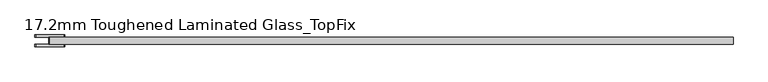
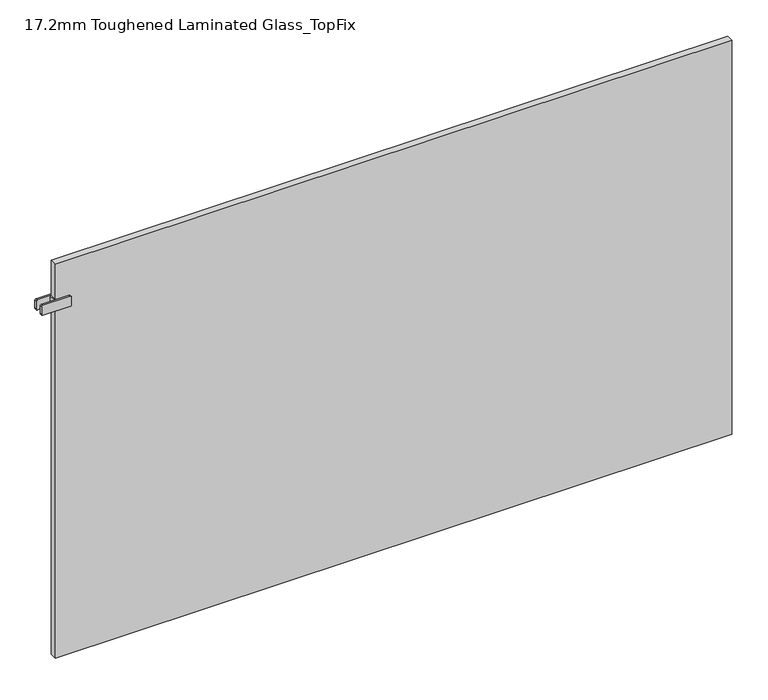
"""IFC4 building model written with IfcOpenShell, lengths in millimetres: plate geometry, 17.2mm Toughened Laminated Glass_TopFix."""

from ifc_helpers import new_model, si_unit, point, frame, frame_2d, origin, origin_with_axes, place, context, project, spatial, polyline, circle_curve, trimmed, segment, composite_curve, outline, extrude, source, transform, mapped, element, save


def plate_17_2mm_toughened_laminated_glass_topfix_5ab2e17a(model_context):
    return source(origin(), model_context, "Body", "SweptSolid", [
        extrude(outline(polyline([(-797.5000001, -8.6), (-797.5000001, 8.6), (-792.5000001, 8.6), (-792.5000001, -8.6), (-797.5000001, -8.6)])), frame((0.0, 0.0, 866.5), z_axis=(0.0, 0.0, 1.0), x_axis=(1.0, 0.0, 0.0)), (0.0, 0.0, 1.0), 25.0),
        extrude(outline(composite_curve([segment(trimmed(circle_curve(frame_2d((869.5, -763.0000001)), 3.0), [point((866.5, -763.0000001))], [point((869.5, -760.0000001))], False, "CARTESIAN"), True, "CONTINUOUS"), segment(polyline([(869.5, -760.0000001), (888.5, -760.0000001)]), True, "CONTINUOUS"), segment(trimmed(circle_curve(frame_2d((888.5, -763.0000001)), 3.0), [point((888.5, -760.0000001))], [point((891.5, -763.0000001))], False, "CARTESIAN"), True, "CONTINUOUS"), segment(polyline([(891.5, -763.0000001), (891.5, -827.0000001)]), True, "CONTINUOUS"), segment(trimmed(circle_curve(frame_2d((888.5, -827.0000001)), 3.0), [point((891.5, -827.0000001))], [point((888.5, -830.0000001))], False, "CARTESIAN"), True, "CONTINUOUS"), segment(polyline([(888.5, -830.0000001), (869.5, -830.0000001)]), True, "CONTINUOUS"), segment(trimmed(circle_curve(frame_2d((869.5, -827.0000001)), 3.0), [point((869.5, -830.0000001))], [point((866.5, -827.0000001))], False, "CARTESIAN"), True, "CONTINUOUS"), segment(polyline([(866.5, -827.0000001), (866.5, -763.0000001)]), True, "CONTINUOUS")], self_intersect=False)), frame((0.0, 8.6, 0.0), z_axis=(0.0, 1.0, 0.0), x_axis=(0.0, 0.0, 1.0)), (0.0, 0.0, 1.0), 5.0),
        extrude(outline(composite_curve([segment(trimmed(circle_curve(frame_2d((869.5, -763.0000001)), 3.0), [point((866.5, -763.0000001))], [point((869.5, -760.0000001))], False, "CARTESIAN"), True, "CONTINUOUS"), segment(polyline([(869.5, -760.0000001), (888.5, -760.0000001)]), True, "CONTINUOUS"), segment(trimmed(circle_curve(frame_2d((888.5, -763.0000001)), 3.0), [point((888.5, -760.0000001))], [point((891.5, -763.0000001))], False, "CARTESIAN"), True, "CONTINUOUS"), segment(polyline([(891.5, -763.0000001), (891.5, -827.0000001)]), True, "CONTINUOUS"), segment(trimmed(circle_curve(frame_2d((888.5, -827.0000001)), 3.0), [point((891.5, -827.0000001))], [point((888.5, -830.0000001))], False, "CARTESIAN"), True, "CONTINUOUS"), segment(polyline([(888.5, -830.0000001), (869.5, -830.0000001)]), True, "CONTINUOUS"), segment(trimmed(circle_curve(frame_2d((869.5, -827.0000001)), 3.0), [point((869.5, -830.0000001))], [point((866.5, -827.0000001))], False, "CARTESIAN"), True, "CONTINUOUS"), segment(polyline([(866.5, -827.0000001), (866.5, -763.0000001)]), True, "CONTINUOUS")], self_intersect=False)), frame((0.0, -13.6, 0.0), z_axis=(0.0, 1.0, 0.0), x_axis=(0.0, 0.0, 1.0)), (0.0, 0.0, 1.0), 5.0),
        extrude(outline(polyline([(795.0000001, 8.6), (795.0000001, -8.6), (-795.0000001, -8.6), (-795.0000001, 8.6), (795.0000001, 8.6)])), origin_with_axes(), (0.0, 0.0, 1.0), 979.0),
    ])


if __name__ == "__main__":
    model = new_model("IFC4")
    model_context = context("Model", 3, world=origin())
    ifc_project = project(units=[si_unit("LENGTHUNIT", "METRE", prefix="MILLI")], contexts=[model_context])
    site = spatial("IfcSite", under=ifc_project)
    building = spatial("IfcBuilding", under=site)
    placement = place(None, origin())
    plate_17_2mm_toughened_laminated_glass_topfix_shape = plate_17_2mm_toughened_laminated_glass_topfix_5ab2e17a(model_context)
    element("IfcPlate", 1, ObjectType="17.2mm Toughened Laminated Glass_TopFix", at=placement, inside=building, context=model_context, shape_type="MappedRepresentation", body=[
        mapped(plate_17_2mm_toughened_laminated_glass_topfix_shape, transform((0.0, 0.0, 0.0), x_axis=(1.0, 0.0, 0.0), y_axis=(0.0, 1.0, 0.0), z_axis=(0.0, 0.0, 1.0))),
    ])
    save(model, "model.ifc")
